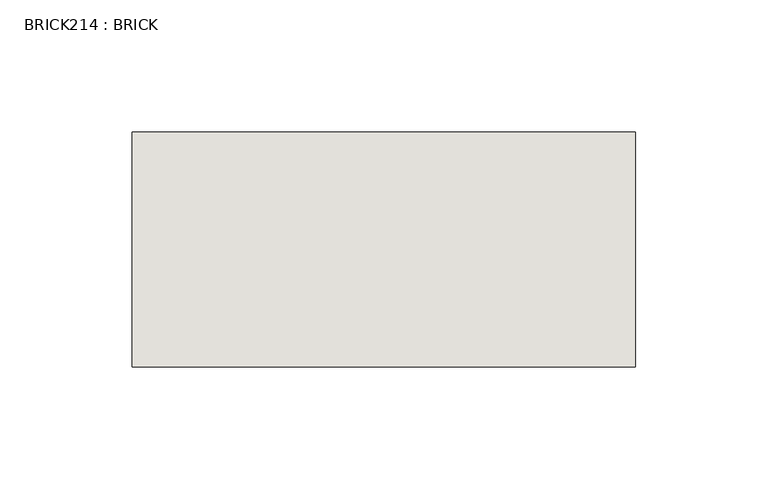
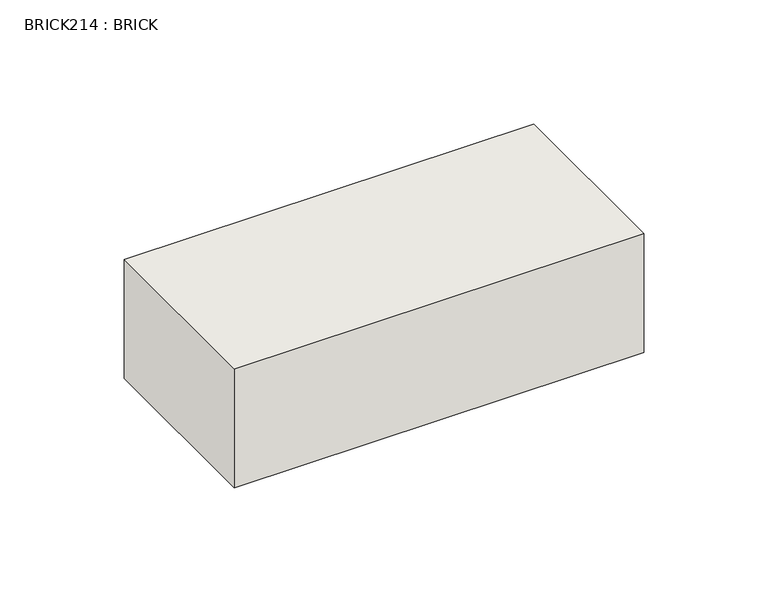
"""IFC4 building model written with IfcOpenShell, lengths in millimetres: wall geometry, BRICK214 : BRICK."""

from ifc_helpers import new_model, si_unit, frame, origin, place, context, project, spatial, polyline, outline, extrude, source, transform, mapped, element, save


def brick214_brick_ed381f89(model_context):
    return source(origin(), model_context, "Body", "SweptSolid", [
        extrude(outline(polyline([(-1074.6574357, 3062.3923312), (-884.1574357, 3062.3923312), (-884.1574357, 2973.4923312), (-1074.6574357, 2973.4923312), (-1074.6574357, 3062.3923312)])), frame((0.0, 0.0, 283.5671875), z_axis=(0.0, 0.0, 1.0), x_axis=(1.0, 0.0, 0.0)), (0.0, 0.0, 1.0), 58.4398437),
    ])


if __name__ == "__main__":
    model = new_model("IFC4")
    model_context = context("Model", 3, world=origin())
    ifc_project = project(units=[si_unit("LENGTHUNIT", "METRE", prefix="MILLI")], contexts=[model_context])
    site = spatial("IfcSite", under=ifc_project)
    building = spatial("IfcBuilding", under=site)
    placement = place(None, origin())
    brick214_brick_shape = brick214_brick_ed381f89(model_context)
    element("IfcWall", 1, ObjectType="BRICK214 : BRICK", at=placement, inside=building, context=model_context, shape_type="MappedRepresentation", body=[
        mapped(brick214_brick_shape, transform((0.0, 0.0, 0.0), x_axis=(1.0, 0.0, 0.0), y_axis=(0.0, 1.0, 0.0), z_axis=(0.0, 0.0, 1.0))),
    ])
    save(model, "model.ifc")
